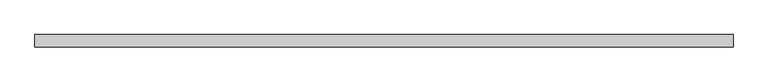
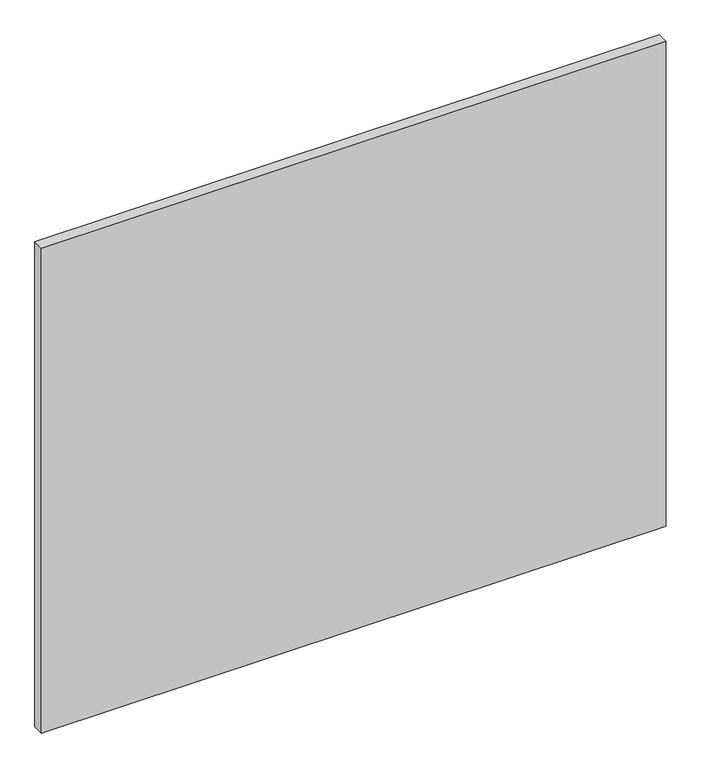
"""IFC4 building model written with IfcOpenShell, lengths in millimetres: proxy geometry."""

import ifcopenshell
import ifcopenshell.guid

model = None  # the IFC model being written
_history = None  # IfcOwnerHistory: only IFC2X3 demands one
_inside = {}  # id of a spatial element -> (the spatial element, [elements in it])
_under = {}  # id of a project, library or spatial element -> (it, [spatial elements below it])
_declared = {}  # id of a project -> (the project, [libraries it declares])
_typed = {}  # id of a type object -> (the type object, [elements of that type])
_made_of = {}  # id of a material, layer set ... -> (it, [elements and type objects made of it])


def new_model(schema):
    """Start an empty IFC model of exactly this schema.

    Asked for "IFC4X3", IfcOpenShell would pick the latest addendum, in which some entities
    have other attributes; the version numbers below select the first issue.
    IFC2X3 requires an IfcOwnerHistory on every rooted entity: one is made here for all.
    """
    global model, _history
    if schema == "IFC4X3":
        model = ifcopenshell.file(schema_version=(4, 3, 0, 0))
    else:
        model = ifcopenshell.file(schema=schema)
    _inside.clear()
    _under.clear()
    _declared.clear()
    _typed.clear()
    _made_of.clear()
    _history = None
    if model.schema == "IFC2X3":
        org = make("IfcOrganization", Name="unknown")
        user = make(
            "IfcPersonAndOrganization",
            ThePerson=make("IfcPerson", FamilyName="unknown"),
            TheOrganization=org,
        )
        app = make(
            "IfcApplication",
            ApplicationDeveloper=org,
            Version="unknown",
            ApplicationFullName="unknown",
            ApplicationIdentifier="unknown",
        )
        _history = make(
            "IfcOwnerHistory",
            OwningUser=user,
            OwningApplication=app,
            ChangeAction="ADDED",
            CreationDate=0,
        )
    return model


def make(cls, **values):
    """One entity of the class cls with the attributes given. An attribute that is None is left unset."""
    return model.create_entity(
        cls, **{name: value for name, value in values.items() if value is not None}
    )


def rooted(cls, **values):
    """An entity with a GlobalId (a new one), such as an element, a storey or a relation."""
    return make(cls, GlobalId=ifcopenshell.guid.new(), OwnerHistory=_history, **values)


def si_unit(unit_type, name, prefix=None):
    """IfcSIUnit, for example si_unit("LENGTHUNIT", "METRE", prefix="MILLI")."""
    return make("IfcSIUnit", UnitType=unit_type, Prefix=prefix, Name=name)


def assignment(units):
    """IfcUnitAssignment: the units of a project."""
    return None if units is None else make("IfcUnitAssignment", Units=units)


def point(xyz):
    """IfcCartesianPoint."""
    return None if xyz is None else make("IfcCartesianPoint", Coordinates=xyz)


def direction(xyz):
    """IfcDirection."""
    return None if xyz is None else make("IfcDirection", DirectionRatios=xyz)


def frame(location, z_axis=None, x_axis=None):
    """IfcAxis2Placement3D, a coordinate frame: its origin and axes. An axis left out is left unset."""
    return make(
        "IfcAxis2Placement3D",
        Location=point(location),
        Axis=direction(z_axis),
        RefDirection=direction(x_axis),
    )


def origin():
    """The frame at (0, 0, 0) with its axes left unset."""
    return frame((0.0, 0.0, 0.0))


def place(relative_to, where):
    """IfcLocalPlacement: puts the frame where relative to a parent placement (None: the world)."""
    return make(
        "IfcLocalPlacement", PlacementRelTo=relative_to, RelativePlacement=where
    )


def context(
    kind, dimensions, precision=None, world=None, true_north=None, identifier=None
):
    """IfcGeometricRepresentationContext, for example the 3D "Model" context."""
    return make(
        "IfcGeometricRepresentationContext",
        ContextIdentifier=identifier,
        ContextType=kind,
        CoordinateSpaceDimension=dimensions,
        Precision=precision,
        WorldCoordinateSystem=world,
        TrueNorth=true_north,
    )


def project(units=None, contexts=None):
    """IfcProject with its units and contexts."""
    return rooted(
        "IfcProject",
        Name="project",
        RepresentationContexts=contexts,
        UnitsInContext=assignment(units),
    )


def spatial(cls, under=None, at=None, **own):
    """A site, building, storey or space (cls), placed at a placement, below another one or the project."""
    s = rooted(cls, ObjectPlacement=at, **own)
    if under is not None:
        _under.setdefault(under.id(), (under, []))[1].append(s)
    return s


def polyline(points):
    """IfcPolyline through the points."""
    return make("IfcPolyline", Points=[point(p) for p in points])


def outline(outer, holes=None, kind="AREA"):
    """IfcArbitraryClosedProfileDef: a profile drawn as a closed curve; with holes, ...WithVoids."""
    if holes is None:
        return make("IfcArbitraryClosedProfileDef", ProfileType=kind, OuterCurve=outer)
    return make(
        "IfcArbitraryProfileDefWithVoids",
        ProfileType=kind,
        OuterCurve=outer,
        InnerCurves=holes,
    )


def extrude(swept, where, along, depth):
    """IfcExtrudedAreaSolid: the profile swept, set in the frame where, extruded along a direction by depth."""
    return make(
        "IfcExtrudedAreaSolid",
        SweptArea=swept,
        Position=where,
        ExtrudedDirection=direction(along),
        Depth=depth,
    )


def shape(context_of_items, identifier, shape_type, items):
    """IfcShapeRepresentation: the items that make up one representation, for example the "Body"."""
    return make(
        "IfcShapeRepresentation",
        ContextOfItems=context_of_items,
        RepresentationIdentifier=identifier,
        RepresentationType=shape_type,
        Items=items,
    )


def source(mapping_origin, context_of_items, identifier, shape_type, items):
    """IfcRepresentationMap: a shape defined once, which mapped items show again and again."""
    return make(
        "IfcRepresentationMap",
        MappingOrigin=mapping_origin,
        MappedRepresentation=shape(context_of_items, identifier, shape_type, items),
    )


def transform(
    local_origin,
    x_axis=None,
    y_axis=None,
    z_axis=None,
    scale=None,
    scale2=None,
    scale3=None,
    uniform=True,
):
    """IfcCartesianTransformationOperator3D, or its non-uniform kind. x_axis, y_axis, z_axis: its Axis1, 2, 3."""
    if uniform:
        return make(
            "IfcCartesianTransformationOperator3D",
            Axis1=direction(x_axis),
            Axis2=direction(y_axis),
            LocalOrigin=point(local_origin),
            Scale=scale,
            Axis3=direction(z_axis),
        )
    return make(
        "IfcCartesianTransformationOperator3DnonUniform",
        Axis1=direction(x_axis),
        Axis2=direction(y_axis),
        LocalOrigin=point(local_origin),
        Scale=scale,
        Axis3=direction(z_axis),
        Scale2=scale2,
        Scale3=scale3,
    )


def mapped(mapping_source, mapping_target):
    """IfcMappedItem: shows the shape of a source again, moved by a transform."""
    return make(
        "IfcMappedItem", MappingSource=mapping_source, MappingTarget=mapping_target
    )


def made_of(thing, what):
    """Note that an element or type object is made of a material, layer set ...; save() writes the relation."""
    if what is not None:
        _made_of.setdefault(what.id(), (what, []))[1].append(thing)
    return thing


def element(
    cls,
    number,
    at=None,
    inside=None,
    cuts=None,
    type_object=None,
    material=None,
    context=None,
    identifier="Body",
    shape_type=None,
    held_by="IfcProductDefinitionShape",
    body=None,
    shapes=None,
    **own,
):
    """One element of the class cls, such as IfcWall. Its Tag is "e" and its number.

    at: its placement. inside: the storey or other place that contains it. cuts: it is an
    opening in that element (IfcRelVoidsElement). A single representation is given by context,
    identifier, shape_type and body (its items); several are given by shapes. held_by: the class
    of the entity that holds the representations. save() writes the other relations.
    """
    e = rooted(cls, Tag="e%d" % number, ObjectPlacement=at, **own)
    if body is not None:
        shapes = [shape(context, identifier, shape_type, body)]
    if shapes is not None:
        e.Representation = make(held_by, Representations=shapes)
    if inside is not None:
        _inside.setdefault(inside.id(), (inside, []))[1].append(e)
    if cuts is not None:
        rooted(
            "IfcRelVoidsElement", RelatingBuildingElement=cuts, RelatedOpeningElement=e
        )
    if type_object is not None:
        _typed.setdefault(type_object.id(), (type_object, []))[1].append(e)
    return made_of(e, material)


def aggregate(whole, parts):
    """IfcRelAggregates: a whole, such as a stair, and the parts it consists of."""
    return rooted("IfcRelAggregates", RelatingObject=whole, RelatedObjects=parts)


def save(model, path):
    """Write the relations noted so far, then the file.

    IfcRelAggregates (storeys below a building ...), IfcRelContainedInSpatialStructure (elements
    in a storey), IfcRelDefinesByType, IfcRelAssociatesMaterial and IfcRelDeclares: one each for
    every whole, place, type object, material and project.
    """
    for whole, parts in _under.values():
        aggregate(whole, parts)
    for where, things in _inside.values():
        rooted(
            "IfcRelContainedInSpatialStructure",
            RelatedElements=things,
            RelatingStructure=where,
        )
    for kind, things in _typed.values():
        rooted("IfcRelDefinesByType", RelatedObjects=things, RelatingType=kind)
    for what, things in _made_of.values():
        rooted("IfcRelAssociatesMaterial", RelatedObjects=things, RelatingMaterial=what)
    for by, libraries in _declared.values():
        rooted("IfcRelDeclares", RelatingContext=by, RelatedDefinitions=libraries)
    model.write(path)


def specialty_equipment_9d1f4476(model_context):
    return source(origin(), model_context, "Body", "SweptSolid", [
        extrude(outline(polyline([(531.5249999, 0.0), (-531.5249999, 0.0), (-531.5249999, 19.05), (531.5249999, 19.05), (531.5249999, 0.0)])), frame((0.0, 0.0, 3.175), z_axis=(0.0, 0.0, 1.0), x_axis=(1.0, 0.0, 0.0)), (0.0, 0.0, 1.0), 872.2868001),
    ])


if __name__ == "__main__":
    model = new_model("IFC4")
    model_context = context("Model", 3, world=origin())
    ifc_project = project(units=[si_unit("LENGTHUNIT", "METRE", prefix="MILLI")], contexts=[model_context])
    site = spatial("IfcSite", under=ifc_project)
    building = spatial("IfcBuilding", under=site)
    placement = place(None, origin())
    specialty_equipment_shape = specialty_equipment_9d1f4476(model_context)
    element("IfcBuildingElementProxy", 1, Name="Specialty Equipment", at=placement, inside=building, context=model_context, shape_type="MappedRepresentation", body=[
        mapped(specialty_equipment_shape, transform((0.0, 0.0, 0.0), x_axis=(1.0, 0.0, 0.0), y_axis=(0.0, 1.0, 0.0), z_axis=(0.0, 0.0, 1.0))),
    ])
    save(model, "model.ifc")
